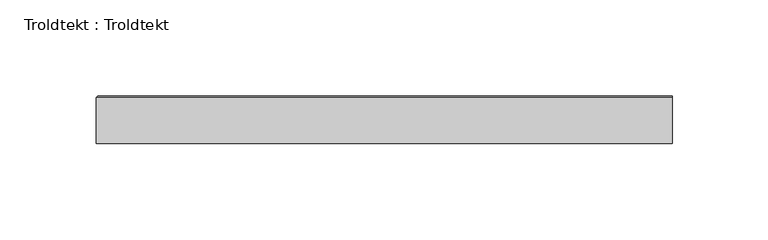
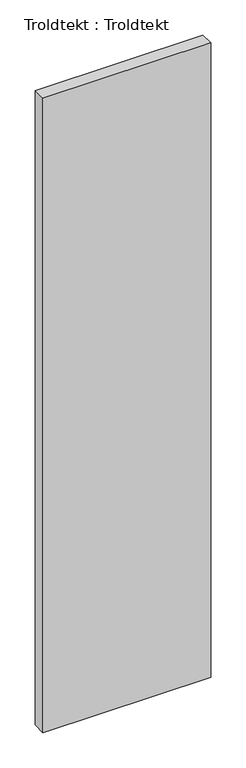
"""IFC4 building model written with IfcOpenShell, lengths in millimetres: proxy geometry, Troldtekt : Troldtekt."""

from ifc_helpers import new_model, si_unit, origin, place, context, project, spatial, faceted_brep, source, transform, mapped, element, save


def troldtekt_troldtekt_007dcfde(model_context):
    return source(origin(), model_context, "Body", "Brep", [
        faceted_brep([(-300.0, -12.5, 1200.0), (0.0, -12.5, 1200.0), (0.0, 11.495044, 1200.0), (-300.0, 11.495044, 1200.0), (0.0, -12.5, 0.0), (-300.0, -12.5, 0.0), (-300.0, 11.495044, 0.0), (0.0, 11.495044, 0.0), (0.0, 12.5, 1198.995044), (0.0, 12.5, 1.004956), (-298.995044, 12.5, 1.004956), (-298.995044, 12.5, 1198.995044)], [[[0, 1, 2, 3]], [[4, 5, 6, 7]], [[8, 9, 10, 11]], [[5, 0, 3, 6]], [[1, 0, 5, 4]], [[1, 4, 7, 9, 8, 2]], [[10, 6, 3, 11]], [[6, 10, 9, 7]], [[11, 3, 2, 8]]]),
    ])


if __name__ == "__main__":
    model = new_model("IFC4")
    model_context = context("Model", 3, world=origin())
    ifc_project = project(units=[si_unit("LENGTHUNIT", "METRE", prefix="MILLI")], contexts=[model_context])
    site = spatial("IfcSite", under=ifc_project)
    building = spatial("IfcBuilding", under=site)
    placement = place(None, origin())
    troldtekt_troldtekt_shape = troldtekt_troldtekt_007dcfde(model_context)
    element("IfcBuildingElementProxy", 1, Name="Troldtekt : Troldtekt", ObjectType="Troldtekt : Troldtekt", at=placement, inside=building, context=model_context, shape_type="MappedRepresentation", body=[
        mapped(troldtekt_troldtekt_shape, transform((0.0, 0.0, 0.0), x_axis=(1.0, 0.0, 0.0), y_axis=(0.0, 1.0, 0.0), z_axis=(0.0, 0.0, 1.0))),
    ])
    save(model, "model.ifc")
